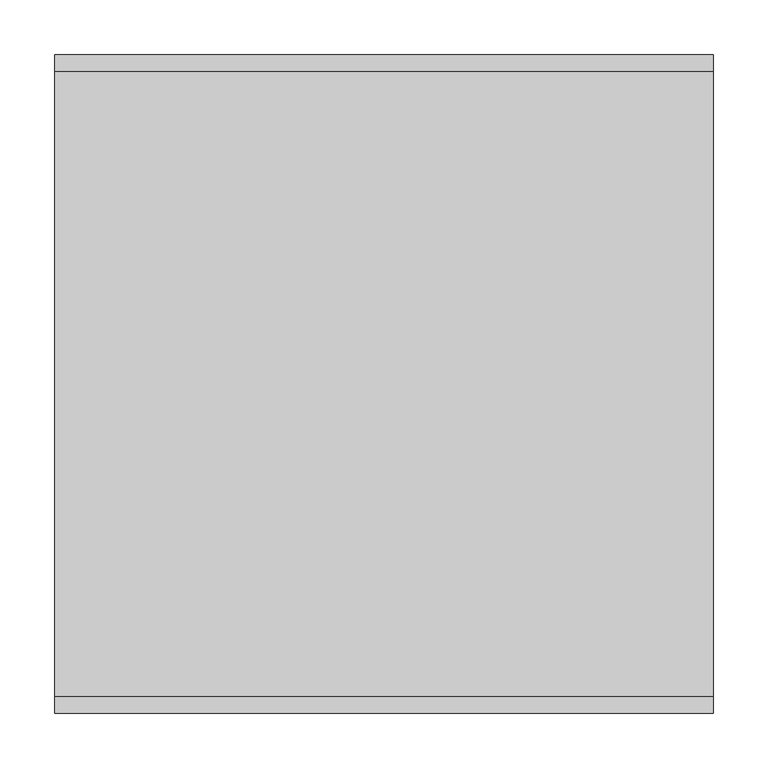
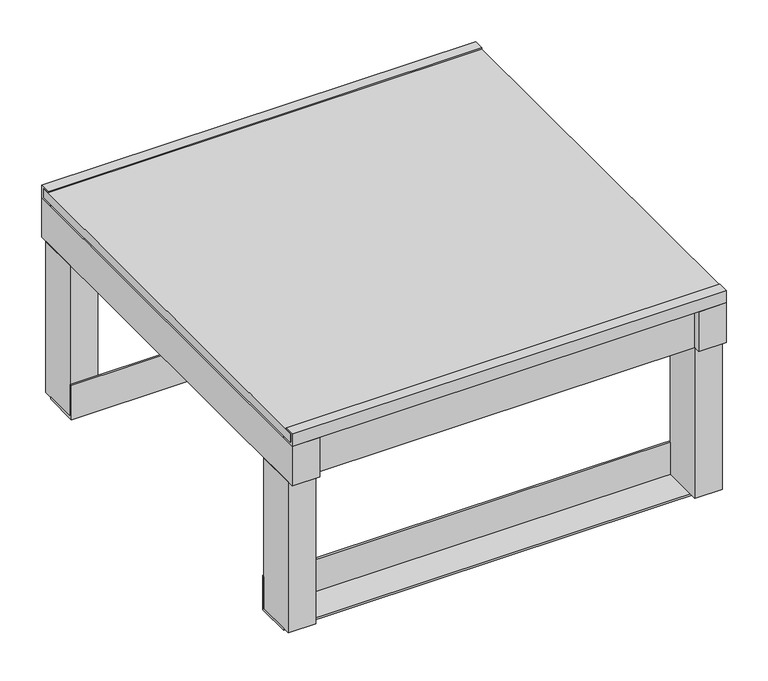
"""IFC4 building model written with IfcOpenShell, lengths in millimetres: proxy geometry."""

import ifcopenshell
import ifcopenshell.guid

model = None  # the IFC model being written
_history = None  # IfcOwnerHistory: only IFC2X3 demands one
_inside = {}  # id of a spatial element -> (the spatial element, [elements in it])
_under = {}  # id of a project, library or spatial element -> (it, [spatial elements below it])
_declared = {}  # id of a project -> (the project, [libraries it declares])
_typed = {}  # id of a type object -> (the type object, [elements of that type])
_made_of = {}  # id of a material, layer set ... -> (it, [elements and type objects made of it])


def new_model(schema):
    """Start an empty IFC model of exactly this schema.

    Asked for "IFC4X3", IfcOpenShell would pick the latest addendum, in which some entities
    have other attributes; the version numbers below select the first issue.
    IFC2X3 requires an IfcOwnerHistory on every rooted entity: one is made here for all.
    """
    global model, _history
    if schema == "IFC4X3":
        model = ifcopenshell.file(schema_version=(4, 3, 0, 0))
    else:
        model = ifcopenshell.file(schema=schema)
    _inside.clear()
    _under.clear()
    _declared.clear()
    _typed.clear()
    _made_of.clear()
    _history = None
    if model.schema == "IFC2X3":
        org = make("IfcOrganization", Name="unknown")
        user = make(
            "IfcPersonAndOrganization",
            ThePerson=make("IfcPerson", FamilyName="unknown"),
            TheOrganization=org,
        )
        app = make(
            "IfcApplication",
            ApplicationDeveloper=org,
            Version="unknown",
            ApplicationFullName="unknown",
            ApplicationIdentifier="unknown",
        )
        _history = make(
            "IfcOwnerHistory",
            OwningUser=user,
            OwningApplication=app,
            ChangeAction="ADDED",
            CreationDate=0,
        )
    return model


def make(cls, **values):
    """One entity of the class cls with the attributes given. An attribute that is None is left unset."""
    return model.create_entity(
        cls, **{name: value for name, value in values.items() if value is not None}
    )


def rooted(cls, **values):
    """An entity with a GlobalId (a new one), such as an element, a storey or a relation."""
    return make(cls, GlobalId=ifcopenshell.guid.new(), OwnerHistory=_history, **values)


def si_unit(unit_type, name, prefix=None):
    """IfcSIUnit, for example si_unit("LENGTHUNIT", "METRE", prefix="MILLI")."""
    return make("IfcSIUnit", UnitType=unit_type, Prefix=prefix, Name=name)


def assignment(units):
    """IfcUnitAssignment: the units of a project."""
    return None if units is None else make("IfcUnitAssignment", Units=units)


def point(xyz):
    """IfcCartesianPoint."""
    return None if xyz is None else make("IfcCartesianPoint", Coordinates=xyz)


def direction(xyz):
    """IfcDirection."""
    return None if xyz is None else make("IfcDirection", DirectionRatios=xyz)


def frame(location, z_axis=None, x_axis=None):
    """IfcAxis2Placement3D, a coordinate frame: its origin and axes. An axis left out is left unset."""
    return make(
        "IfcAxis2Placement3D",
        Location=point(location),
        Axis=direction(z_axis),
        RefDirection=direction(x_axis),
    )


def origin():
    """The frame at (0, 0, 0) with its axes left unset."""
    return frame((0.0, 0.0, 0.0))


def place(relative_to, where):
    """IfcLocalPlacement: puts the frame where relative to a parent placement (None: the world)."""
    return make(
        "IfcLocalPlacement", PlacementRelTo=relative_to, RelativePlacement=where
    )


def context(
    kind, dimensions, precision=None, world=None, true_north=None, identifier=None
):
    """IfcGeometricRepresentationContext, for example the 3D "Model" context."""
    return make(
        "IfcGeometricRepresentationContext",
        ContextIdentifier=identifier,
        ContextType=kind,
        CoordinateSpaceDimension=dimensions,
        Precision=precision,
        WorldCoordinateSystem=world,
        TrueNorth=true_north,
    )


def project(units=None, contexts=None):
    """IfcProject with its units and contexts."""
    return rooted(
        "IfcProject",
        Name="project",
        RepresentationContexts=contexts,
        UnitsInContext=assignment(units),
    )


def spatial(cls, under=None, at=None, **own):
    """A site, building, storey or space (cls), placed at a placement, below another one or the project."""
    s = rooted(cls, ObjectPlacement=at, **own)
    if under is not None:
        _under.setdefault(under.id(), (under, []))[1].append(s)
    return s


def polyline(points):
    """IfcPolyline through the points."""
    return make("IfcPolyline", Points=[point(p) for p in points])


def outline(outer, holes=None, kind="AREA"):
    """IfcArbitraryClosedProfileDef: a profile drawn as a closed curve; with holes, ...WithVoids."""
    if holes is None:
        return make("IfcArbitraryClosedProfileDef", ProfileType=kind, OuterCurve=outer)
    return make(
        "IfcArbitraryProfileDefWithVoids",
        ProfileType=kind,
        OuterCurve=outer,
        InnerCurves=holes,
    )


def extrude(swept, where, along, depth):
    """IfcExtrudedAreaSolid: the profile swept, set in the frame where, extruded along a direction by depth."""
    return make(
        "IfcExtrudedAreaSolid",
        SweptArea=swept,
        Position=where,
        ExtrudedDirection=direction(along),
        Depth=depth,
    )


def shape(context_of_items, identifier, shape_type, items):
    """IfcShapeRepresentation: the items that make up one representation, for example the "Body"."""
    return make(
        "IfcShapeRepresentation",
        ContextOfItems=context_of_items,
        RepresentationIdentifier=identifier,
        RepresentationType=shape_type,
        Items=items,
    )


def source(mapping_origin, context_of_items, identifier, shape_type, items):
    """IfcRepresentationMap: a shape defined once, which mapped items show again and again."""
    return make(
        "IfcRepresentationMap",
        MappingOrigin=mapping_origin,
        MappedRepresentation=shape(context_of_items, identifier, shape_type, items),
    )


def transform(
    local_origin,
    x_axis=None,
    y_axis=None,
    z_axis=None,
    scale=None,
    scale2=None,
    scale3=None,
    uniform=True,
):
    """IfcCartesianTransformationOperator3D, or its non-uniform kind. x_axis, y_axis, z_axis: its Axis1, 2, 3."""
    if uniform:
        return make(
            "IfcCartesianTransformationOperator3D",
            Axis1=direction(x_axis),
            Axis2=direction(y_axis),
            LocalOrigin=point(local_origin),
            Scale=scale,
            Axis3=direction(z_axis),
        )
    return make(
        "IfcCartesianTransformationOperator3DnonUniform",
        Axis1=direction(x_axis),
        Axis2=direction(y_axis),
        LocalOrigin=point(local_origin),
        Scale=scale,
        Axis3=direction(z_axis),
        Scale2=scale2,
        Scale3=scale3,
    )


def mapped(mapping_source, mapping_target):
    """IfcMappedItem: shows the shape of a source again, moved by a transform."""
    return make(
        "IfcMappedItem", MappingSource=mapping_source, MappingTarget=mapping_target
    )


def made_of(thing, what):
    """Note that an element or type object is made of a material, layer set ...; save() writes the relation."""
    if what is not None:
        _made_of.setdefault(what.id(), (what, []))[1].append(thing)
    return thing


def element(
    cls,
    number,
    at=None,
    inside=None,
    cuts=None,
    type_object=None,
    material=None,
    context=None,
    identifier="Body",
    shape_type=None,
    held_by="IfcProductDefinitionShape",
    body=None,
    shapes=None,
    **own,
):
    """One element of the class cls, such as IfcWall. Its Tag is "e" and its number.

    at: its placement. inside: the storey or other place that contains it. cuts: it is an
    opening in that element (IfcRelVoidsElement). A single representation is given by context,
    identifier, shape_type and body (its items); several are given by shapes. held_by: the class
    of the entity that holds the representations. save() writes the other relations.
    """
    e = rooted(cls, Tag="e%d" % number, ObjectPlacement=at, **own)
    if body is not None:
        shapes = [shape(context, identifier, shape_type, body)]
    if shapes is not None:
        e.Representation = make(held_by, Representations=shapes)
    if inside is not None:
        _inside.setdefault(inside.id(), (inside, []))[1].append(e)
    if cuts is not None:
        rooted(
            "IfcRelVoidsElement", RelatingBuildingElement=cuts, RelatedOpeningElement=e
        )
    if type_object is not None:
        _typed.setdefault(type_object.id(), (type_object, []))[1].append(e)
    return made_of(e, material)


def aggregate(whole, parts):
    """IfcRelAggregates: a whole, such as a stair, and the parts it consists of."""
    return rooted("IfcRelAggregates", RelatingObject=whole, RelatedObjects=parts)


def save(model, path):
    """Write the relations noted so far, then the file.

    IfcRelAggregates (storeys below a building ...), IfcRelContainedInSpatialStructure (elements
    in a storey), IfcRelDefinesByType, IfcRelAssociatesMaterial and IfcRelDeclares: one each for
    every whole, place, type object, material and project.
    """
    for whole, parts in _under.values():
        aggregate(whole, parts)
    for where, things in _inside.values():
        rooted(
            "IfcRelContainedInSpatialStructure",
            RelatedElements=things,
            RelatingStructure=where,
        )
    for kind, things in _typed.values():
        rooted("IfcRelDefinesByType", RelatedObjects=things, RelatingType=kind)
    for what, things in _made_of.values():
        rooted("IfcRelAssociatesMaterial", RelatedObjects=things, RelatingMaterial=what)
    for by, libraries in _declared.values():
        rooted("IfcRelDeclares", RelatingContext=by, RelatedDefinitions=libraries)
    model.write(path)


def specialty_equipment_82ce1e12(model_context):
    return source(origin(), model_context, "Body", "SweptSolid", [
        extrude(outline(polyline([(300.0, 295.0), (300.0, -295.0), (-300.0, -295.0), (-300.0, 295.0), (300.0, 295.0)])), frame((0.0, 0.0, 285.0), z_axis=(0.0, 0.0, 1.0), x_axis=(1.0, 0.0, 0.0)), (0.0, 0.0, 1.0), 13.0),
        extrude(outline(polyline([(300.0, 282.0), (280.0, 282.0), (280.0, 285.0), (297.0, 285.0), (297.0, 298.0), (285.0, 298.0), (285.0, 300.0), (300.0, 300.0), (300.0, 282.0)])), frame((-300.0, 0.0, 0.0), z_axis=(1.0, 0.0, 0.0), x_axis=(0.0, 1.0, 0.0)), (0.0, 0.0, 1.0), 600.0),
        extrude(outline(polyline([(-300.0, 282.0), (-300.0, 300.0), (-285.0, 300.0), (-285.0, 298.0), (-297.0, 298.0), (-297.0, 285.0), (-280.0, 285.0), (-280.0, 282.0), (-300.0, 282.0)])), frame((-300.0, 0.0, 0.0), z_axis=(1.0, 0.0, 0.0), x_axis=(0.0, 1.0, 0.0)), (0.0, 0.0, 1.0), 600.0),
        extrude(outline(polyline([(232.0, 3.0), (279.0, 3.0), (279.0, 0.0), (229.0, 0.0), (229.0, 50.0), (232.0, 50.0), (232.0, 3.0)])), frame((-300.0, 0.0, 0.0), z_axis=(1.0, 0.0, 0.0), x_axis=(0.0, 1.0, 0.0)), (0.0, 0.0, 1.0), 600.0),
        extrude(outline(polyline([(-232.0, 3.0), (-232.0, 50.0), (-229.0, 50.0), (-229.0, 0.0), (-279.0, 0.0), (-279.0, 3.0), (-232.0, 3.0)])), frame((-300.0, 0.0, 0.0), z_axis=(1.0, 0.0, 0.0), x_axis=(0.0, 1.0, 0.0)), (0.0, 0.0, 1.0), 600.0),
        extrude(outline(polyline([(-262.0, 290.0), (-262.0, 232.0), (-300.0, 232.0), (-300.0, 290.0), (-262.0, 290.0)])), frame((0.0, 0.0, 3.0), z_axis=(0.0, 0.0, 1.0), x_axis=(1.0, 0.0, 0.0)), (0.0, 0.0, 1.0), 221.0),
        extrude(outline(polyline([(-262.0, -232.0), (-262.0, -290.0), (-300.0, -290.0), (-300.0, -232.0), (-262.0, -232.0)])), frame((0.0, 0.0, 3.0), z_axis=(0.0, 0.0, 1.0), x_axis=(1.0, 0.0, 0.0)), (0.0, 0.0, 1.0), 221.0),
        extrude(outline(polyline([(300.0, -232.0), (300.0, -290.0), (262.0, -290.0), (262.0, -232.0), (300.0, -232.0)])), frame((0.0, 0.0, 3.0), z_axis=(0.0, 0.0, 1.0), x_axis=(1.0, 0.0, 0.0)), (0.0, 0.0, 1.0), 221.0),
        extrude(outline(polyline([(300.0, 290.0), (300.0, 232.0), (262.0, 232.0), (262.0, 290.0), (300.0, 290.0)])), frame((0.0, 0.0, 3.0), z_axis=(0.0, 0.0, 1.0), x_axis=(1.0, 0.0, 0.0)), (0.0, 0.0, 1.0), 221.0),
        extrude(outline(polyline([(-262.0, 290.0), (262.0, 290.0), (262.0, 300.0), (300.0, 300.0), (300.0, -300.0), (262.0, -300.0), (262.0, -290.0), (-262.0, -290.0), (-262.0, -300.0), (-300.0, -300.0), (-300.0, 300.0), (-262.0, 300.0), (-262.0, 290.0)]), holes=[polyline([(-262.0, 252.0), (-262.0, -252.0), (262.0, -252.0), (262.0, 252.0), (-262.0, 252.0)])]), frame((0.0, 0.0, 224.0), z_axis=(0.0, 0.0, 1.0), x_axis=(1.0, 0.0, 0.0)), (0.0, 0.0, 1.0), 58.0),
    ])


if __name__ == "__main__":
    model = new_model("IFC4")
    model_context = context("Model", 3, world=origin())
    ifc_project = project(units=[si_unit("LENGTHUNIT", "METRE", prefix="MILLI")], contexts=[model_context])
    site = spatial("IfcSite", under=ifc_project)
    building = spatial("IfcBuilding", under=site)
    placement = place(None, origin())
    specialty_equipment_shape = specialty_equipment_82ce1e12(model_context)
    element("IfcBuildingElementProxy", 1, Name="Specialty Equipment", at=placement, inside=building, context=model_context, shape_type="MappedRepresentation", body=[
        mapped(specialty_equipment_shape, transform((0.0, 0.0, 0.0), x_axis=(1.0, 0.0, 0.0), y_axis=(0.0, 1.0, 0.0), z_axis=(0.0, 0.0, 1.0))),
    ])
    save(model, "model.ifc")
